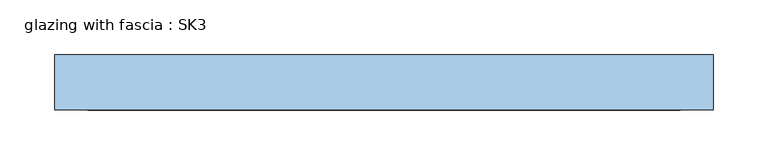
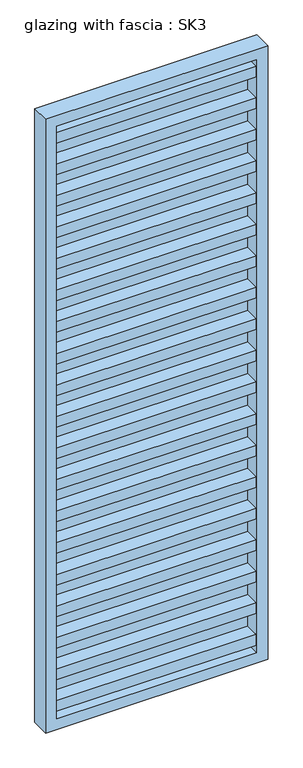
"""IFC4 building model written with IfcOpenShell, lengths in millimetres: window geometry, glazing with fascia : SK3."""

import ifcopenshell
import ifcopenshell.guid

model = None  # the IFC model being written
_history = None  # IfcOwnerHistory: only IFC2X3 demands one
_inside = {}  # id of a spatial element -> (the spatial element, [elements in it])
_under = {}  # id of a project, library or spatial element -> (it, [spatial elements below it])
_declared = {}  # id of a project -> (the project, [libraries it declares])
_typed = {}  # id of a type object -> (the type object, [elements of that type])
_made_of = {}  # id of a material, layer set ... -> (it, [elements and type objects made of it])


def new_model(schema):
    """Start an empty IFC model of exactly this schema.

    Asked for "IFC4X3", IfcOpenShell would pick the latest addendum, in which some entities
    have other attributes; the version numbers below select the first issue.
    IFC2X3 requires an IfcOwnerHistory on every rooted entity: one is made here for all.
    """
    global model, _history
    if schema == "IFC4X3":
        model = ifcopenshell.file(schema_version=(4, 3, 0, 0))
    else:
        model = ifcopenshell.file(schema=schema)
    _inside.clear()
    _under.clear()
    _declared.clear()
    _typed.clear()
    _made_of.clear()
    _history = None
    if model.schema == "IFC2X3":
        org = make("IfcOrganization", Name="unknown")
        user = make(
            "IfcPersonAndOrganization",
            ThePerson=make("IfcPerson", FamilyName="unknown"),
            TheOrganization=org,
        )
        app = make(
            "IfcApplication",
            ApplicationDeveloper=org,
            Version="unknown",
            ApplicationFullName="unknown",
            ApplicationIdentifier="unknown",
        )
        _history = make(
            "IfcOwnerHistory",
            OwningUser=user,
            OwningApplication=app,
            ChangeAction="ADDED",
            CreationDate=0,
        )
    return model


def make(cls, **values):
    """One entity of the class cls with the attributes given. An attribute that is None is left unset."""
    return model.create_entity(
        cls, **{name: value for name, value in values.items() if value is not None}
    )


def rooted(cls, **values):
    """An entity with a GlobalId (a new one), such as an element, a storey or a relation."""
    return make(cls, GlobalId=ifcopenshell.guid.new(), OwnerHistory=_history, **values)


def si_unit(unit_type, name, prefix=None):
    """IfcSIUnit, for example si_unit("LENGTHUNIT", "METRE", prefix="MILLI")."""
    return make("IfcSIUnit", UnitType=unit_type, Prefix=prefix, Name=name)


def assignment(units):
    """IfcUnitAssignment: the units of a project."""
    return None if units is None else make("IfcUnitAssignment", Units=units)


def point(xyz):
    """IfcCartesianPoint."""
    return None if xyz is None else make("IfcCartesianPoint", Coordinates=xyz)


def direction(xyz):
    """IfcDirection."""
    return None if xyz is None else make("IfcDirection", DirectionRatios=xyz)


def frame(location, z_axis=None, x_axis=None):
    """IfcAxis2Placement3D, a coordinate frame: its origin and axes. An axis left out is left unset."""
    return make(
        "IfcAxis2Placement3D",
        Location=point(location),
        Axis=direction(z_axis),
        RefDirection=direction(x_axis),
    )


def origin():
    """The frame at (0, 0, 0) with its axes left unset."""
    return frame((0.0, 0.0, 0.0))


def place(relative_to, where):
    """IfcLocalPlacement: puts the frame where relative to a parent placement (None: the world)."""
    return make(
        "IfcLocalPlacement", PlacementRelTo=relative_to, RelativePlacement=where
    )


def context(
    kind, dimensions, precision=None, world=None, true_north=None, identifier=None
):
    """IfcGeometricRepresentationContext, for example the 3D "Model" context."""
    return make(
        "IfcGeometricRepresentationContext",
        ContextIdentifier=identifier,
        ContextType=kind,
        CoordinateSpaceDimension=dimensions,
        Precision=precision,
        WorldCoordinateSystem=world,
        TrueNorth=true_north,
    )


def project(units=None, contexts=None):
    """IfcProject with its units and contexts."""
    return rooted(
        "IfcProject",
        Name="project",
        RepresentationContexts=contexts,
        UnitsInContext=assignment(units),
    )


def spatial(cls, under=None, at=None, **own):
    """A site, building, storey or space (cls), placed at a placement, below another one or the project."""
    s = rooted(cls, ObjectPlacement=at, **own)
    if under is not None:
        _under.setdefault(under.id(), (under, []))[1].append(s)
    return s


def polyline(points):
    """IfcPolyline through the points."""
    return make("IfcPolyline", Points=[point(p) for p in points])


def outline(outer, holes=None, kind="AREA"):
    """IfcArbitraryClosedProfileDef: a profile drawn as a closed curve; with holes, ...WithVoids."""
    if holes is None:
        return make("IfcArbitraryClosedProfileDef", ProfileType=kind, OuterCurve=outer)
    return make(
        "IfcArbitraryProfileDefWithVoids",
        ProfileType=kind,
        OuterCurve=outer,
        InnerCurves=holes,
    )


def extrude(swept, where, along, depth):
    """IfcExtrudedAreaSolid: the profile swept, set in the frame where, extruded along a direction by depth."""
    return make(
        "IfcExtrudedAreaSolid",
        SweptArea=swept,
        Position=where,
        ExtrudedDirection=direction(along),
        Depth=depth,
    )


def shape(context_of_items, identifier, shape_type, items):
    """IfcShapeRepresentation: the items that make up one representation, for example the "Body"."""
    return make(
        "IfcShapeRepresentation",
        ContextOfItems=context_of_items,
        RepresentationIdentifier=identifier,
        RepresentationType=shape_type,
        Items=items,
    )


def source(mapping_origin, context_of_items, identifier, shape_type, items):
    """IfcRepresentationMap: a shape defined once, which mapped items show again and again."""
    return make(
        "IfcRepresentationMap",
        MappingOrigin=mapping_origin,
        MappedRepresentation=shape(context_of_items, identifier, shape_type, items),
    )


def transform(
    local_origin,
    x_axis=None,
    y_axis=None,
    z_axis=None,
    scale=None,
    scale2=None,
    scale3=None,
    uniform=True,
):
    """IfcCartesianTransformationOperator3D, or its non-uniform kind. x_axis, y_axis, z_axis: its Axis1, 2, 3."""
    if uniform:
        return make(
            "IfcCartesianTransformationOperator3D",
            Axis1=direction(x_axis),
            Axis2=direction(y_axis),
            LocalOrigin=point(local_origin),
            Scale=scale,
            Axis3=direction(z_axis),
        )
    return make(
        "IfcCartesianTransformationOperator3DnonUniform",
        Axis1=direction(x_axis),
        Axis2=direction(y_axis),
        LocalOrigin=point(local_origin),
        Scale=scale,
        Axis3=direction(z_axis),
        Scale2=scale2,
        Scale3=scale3,
    )


def mapped(mapping_source, mapping_target):
    """IfcMappedItem: shows the shape of a source again, moved by a transform."""
    return make(
        "IfcMappedItem", MappingSource=mapping_source, MappingTarget=mapping_target
    )


def made_of(thing, what):
    """Note that an element or type object is made of a material, layer set ...; save() writes the relation."""
    if what is not None:
        _made_of.setdefault(what.id(), (what, []))[1].append(thing)
    return thing


def element(
    cls,
    number,
    at=None,
    inside=None,
    cuts=None,
    type_object=None,
    material=None,
    context=None,
    identifier="Body",
    shape_type=None,
    held_by="IfcProductDefinitionShape",
    body=None,
    shapes=None,
    **own,
):
    """One element of the class cls, such as IfcWall. Its Tag is "e" and its number.

    at: its placement. inside: the storey or other place that contains it. cuts: it is an
    opening in that element (IfcRelVoidsElement). A single representation is given by context,
    identifier, shape_type and body (its items); several are given by shapes. held_by: the class
    of the entity that holds the representations. save() writes the other relations.
    """
    e = rooted(cls, Tag="e%d" % number, ObjectPlacement=at, **own)
    if body is not None:
        shapes = [shape(context, identifier, shape_type, body)]
    if shapes is not None:
        e.Representation = make(held_by, Representations=shapes)
    if inside is not None:
        _inside.setdefault(inside.id(), (inside, []))[1].append(e)
    if cuts is not None:
        rooted(
            "IfcRelVoidsElement", RelatingBuildingElement=cuts, RelatedOpeningElement=e
        )
    if type_object is not None:
        _typed.setdefault(type_object.id(), (type_object, []))[1].append(e)
    return made_of(e, material)


def aggregate(whole, parts):
    """IfcRelAggregates: a whole, such as a stair, and the parts it consists of."""
    return rooted("IfcRelAggregates", RelatingObject=whole, RelatedObjects=parts)


def save(model, path):
    """Write the relations noted so far, then the file.

    IfcRelAggregates (storeys below a building ...), IfcRelContainedInSpatialStructure (elements
    in a storey), IfcRelDefinesByType, IfcRelAssociatesMaterial and IfcRelDeclares: one each for
    every whole, place, type object, material and project.
    """
    for whole, parts in _under.values():
        aggregate(whole, parts)
    for where, things in _inside.values():
        rooted(
            "IfcRelContainedInSpatialStructure",
            RelatedElements=things,
            RelatingStructure=where,
        )
    for kind, things in _typed.values():
        rooted("IfcRelDefinesByType", RelatedObjects=things, RelatingType=kind)
    for what, things in _made_of.values():
        rooted("IfcRelAssociatesMaterial", RelatedObjects=things, RelatingMaterial=what)
    for by, libraries in _declared.values():
        rooted("IfcRelDeclares", RelatingContext=by, RelatedDefinitions=libraries)
    model.write(path)


def glazing_with_fascia_sk3_198ccb6f(model_context):
    return source(origin(), model_context, "Body", "SweptSolid", [
        extrude(outline(polyline([(270.0, -0.1334055), (270.0, -8.1334055), (-270.0, -8.1334055), (-270.0, -0.1334055), (270.0, -0.1334055)])), frame((0.0, 0.0, 30.0), z_axis=(0.0, 0.0, 1.0), x_axis=(1.0, 0.0, 0.0)), (0.0, 0.0, 1.0), 1690.0),
        extrude(outline(polyline([(1750.0, -300.0), (0.0, -300.0), (0.0, 300.0), (1750.0, 300.0), (1750.0, -300.0)]), holes=[polyline([(1720.0, -270.0), (1720.0, 270.0), (30.0, 270.0), (30.0, -270.0), (1720.0, -270.0)])]), frame((0.0, -50.0, 0.0), z_axis=(0.0, 1.0, 0.0), x_axis=(0.0, 0.0, 1.0)), (0.0, 0.0, 1.0), 50.0),
        extrude(outline(polyline([(-270.0, -48.1334055), (-270.0, -8.1334055), (270.0, -8.1334055), (270.0, -48.1334055), (-270.0, -48.1334055)])), frame((0.0, 0.0, 1580.4), z_axis=(0.0, 0.0, 1.0), x_axis=(1.0, 0.0, 0.0)), (0.0, 0.0, 1.0), 30.0),
        extrude(outline(polyline([(-270.0, -48.1334055), (-270.0, -8.1334055), (270.0, -8.1334055), (270.0, -48.1334055), (-270.0, -48.1334055)])), frame((0.0, 0.0, 1490.4), z_axis=(0.0, 0.0, 1.0), x_axis=(1.0, 0.0, 0.0)), (0.0, 0.0, 1.0), 30.0),
        extrude(outline(polyline([(-270.0, -48.1334055), (-270.0, -8.1334055), (270.0, -8.1334055), (270.0, -48.1334055), (-270.0, -48.1334055)])), frame((0.0, 0.0, 1400.4), z_axis=(0.0, 0.0, 1.0), x_axis=(1.0, 0.0, 0.0)), (0.0, 0.0, 1.0), 30.0),
        extrude(outline(polyline([(-270.0, -48.1334055), (-270.0, -8.1334055), (270.0, -8.1334055), (270.0, -48.1334055), (-270.0, -48.1334055)])), frame((0.0, 0.0, 1310.4), z_axis=(0.0, 0.0, 1.0), x_axis=(1.0, 0.0, 0.0)), (0.0, 0.0, 1.0), 30.0),
        extrude(outline(polyline([(-270.0, -48.1334055), (-270.0, -8.1334055), (270.0, -8.1334055), (270.0, -48.1334055), (-270.0, -48.1334055)])), frame((0.0, 0.0, 1220.4), z_axis=(0.0, 0.0, 1.0), x_axis=(1.0, 0.0, 0.0)), (0.0, 0.0, 1.0), 30.0),
        extrude(outline(polyline([(-270.0, -48.1334055), (-270.0, -8.1334055), (270.0, -8.1334055), (270.0, -48.1334055), (-270.0, -48.1334055)])), frame((0.0, 0.0, 1130.4), z_axis=(0.0, 0.0, 1.0), x_axis=(1.0, 0.0, 0.0)), (0.0, 0.0, 1.0), 30.0),
        extrude(outline(polyline([(-270.0, -48.1334055), (-270.0, -8.1334055), (270.0, -8.1334055), (270.0, -48.1334055), (-270.0, -48.1334055)])), frame((0.0, 0.0, 1040.4), z_axis=(0.0, 0.0, 1.0), x_axis=(1.0, 0.0, 0.0)), (0.0, 0.0, 1.0), 30.0),
        extrude(outline(polyline([(-270.0, -48.1334055), (-270.0, -8.1334055), (270.0, -8.1334055), (270.0, -48.1334055), (-270.0, -48.1334055)])), frame((0.0, 0.0, 950.4), z_axis=(0.0, 0.0, 1.0), x_axis=(1.0, 0.0, 0.0)), (0.0, 0.0, 1.0), 30.0),
        extrude(outline(polyline([(-270.0, -48.1334055), (-270.0, -8.1334055), (270.0, -8.1334055), (270.0, -48.1334055), (-270.0, -48.1334055)])), frame((0.0, 0.0, 860.4), z_axis=(0.0, 0.0, 1.0), x_axis=(1.0, 0.0, 0.0)), (0.0, 0.0, 1.0), 30.0),
        extrude(outline(polyline([(-270.0, -48.1334055), (-270.0, -8.1334055), (270.0, -8.1334055), (270.0, -48.1334055), (-270.0, -48.1334055)])), frame((0.0, 0.0, 770.4), z_axis=(0.0, 0.0, 1.0), x_axis=(1.0, 0.0, 0.0)), (0.0, 0.0, 1.0), 30.0),
        extrude(outline(polyline([(-270.0, -48.1334055), (-270.0, -8.1334055), (270.0, -8.1334055), (270.0, -48.1334055), (-270.0, -48.1334055)])), frame((0.0, 0.0, 680.4), z_axis=(0.0, 0.0, 1.0), x_axis=(1.0, 0.0, 0.0)), (0.0, 0.0, 1.0), 30.0),
        extrude(outline(polyline([(-270.0, -48.1334055), (-270.0, -8.1334055), (270.0, -8.1334055), (270.0, -48.1334055), (-270.0, -48.1334055)])), frame((0.0, 0.0, 590.4), z_axis=(0.0, 0.0, 1.0), x_axis=(1.0, 0.0, 0.0)), (0.0, 0.0, 1.0), 30.0),
        extrude(outline(polyline([(-270.0, -48.1334055), (-270.0, -8.1334055), (270.0, -8.1334055), (270.0, -48.1334055), (-270.0, -48.1334055)])), frame((0.0, 0.0, 500.4), z_axis=(0.0, 0.0, 1.0), x_axis=(1.0, 0.0, 0.0)), (0.0, 0.0, 1.0), 30.0),
        extrude(outline(polyline([(-270.0, -48.1334055), (-270.0, -8.1334055), (270.0, -8.1334055), (270.0, -48.1334055), (-270.0, -48.1334055)])), frame((0.0, 0.0, 410.4), z_axis=(0.0, 0.0, 1.0), x_axis=(1.0, 0.0, 0.0)), (0.0, 0.0, 1.0), 30.0),
        extrude(outline(polyline([(-270.0, -48.1334055), (-270.0, -8.1334055), (270.0, -8.1334055), (270.0, -48.1334055), (-270.0, -48.1334055)])), frame((0.0, 0.0, 320.4), z_axis=(0.0, 0.0, 1.0), x_axis=(1.0, 0.0, 0.0)), (0.0, 0.0, 1.0), 30.0),
        extrude(outline(polyline([(-270.0, -48.1334055), (-270.0, -8.1334055), (270.0, -8.1334055), (270.0, -48.1334055), (-270.0, -48.1334055)])), frame((0.0, 0.0, 230.4), z_axis=(0.0, 0.0, 1.0), x_axis=(1.0, 0.0, 0.0)), (0.0, 0.0, 1.0), 30.0),
        extrude(outline(polyline([(-270.0, -48.1334055), (-270.0, -8.1334055), (270.0, -8.1334055), (270.0, -48.1334055), (-270.0, -48.1334055)])), frame((0.0, 0.0, 140.4), z_axis=(0.0, 0.0, 1.0), x_axis=(1.0, 0.0, 0.0)), (0.0, 0.0, 1.0), 30.0),
        extrude(outline(polyline([(-270.0, -48.1334055), (-270.0, -8.1334055), (270.0, -8.1334055), (270.0, -48.1334055), (-270.0, -48.1334055)])), frame((0.0, 0.0, 50.4), z_axis=(0.0, 0.0, 1.0), x_axis=(1.0, 0.0, 0.0)), (0.0, 0.0, 1.0), 30.0),
        extrude(outline(polyline([(-270.0, -48.1334055), (-270.0, -8.1334055), (270.0, -8.1334055), (270.0, -48.1334055), (-270.0, -48.1334055)])), frame((0.0, 0.0, 1670.0), z_axis=(0.0, 0.0, 1.0), x_axis=(1.0, 0.0, 0.0)), (0.0, 0.0, 1.0), 30.0),
    ])


if __name__ == "__main__":
    model = new_model("IFC4")
    model_context = context("Model", 3, world=origin())
    ifc_project = project(units=[si_unit("LENGTHUNIT", "METRE", prefix="MILLI")], contexts=[model_context])
    site = spatial("IfcSite", under=ifc_project)
    building = spatial("IfcBuilding", under=site)
    placement = place(None, origin())
    glazing_with_fascia_sk3_shape = glazing_with_fascia_sk3_198ccb6f(model_context)
    element("IfcWindow", 1, ObjectType="glazing with fascia : SK3", at=placement, inside=building, context=model_context, shape_type="MappedRepresentation", body=[
        mapped(glazing_with_fascia_sk3_shape, transform((0.0, 0.0, 0.0), x_axis=(1.0, 0.0, 0.0), y_axis=(0.0, 1.0, 0.0), z_axis=(0.0, 0.0, 1.0))),
    ])
    save(model, "model.ifc")
